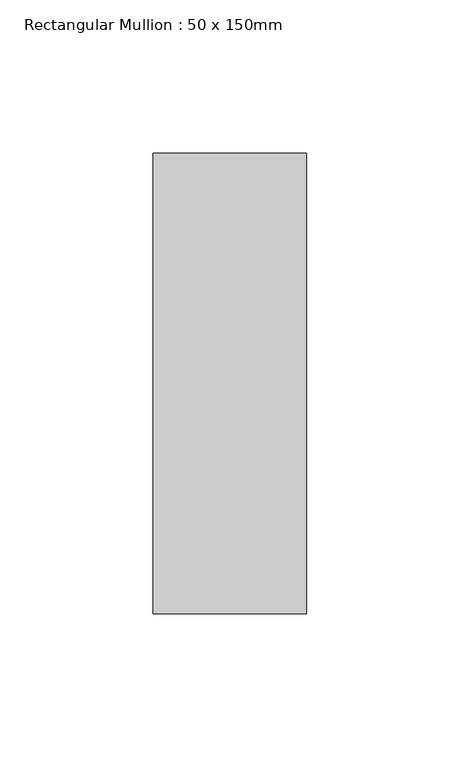
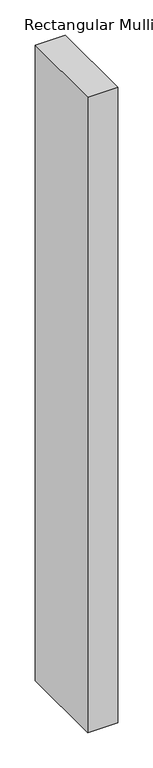
"""IFC4 building model written with IfcOpenShell, lengths in millimetres: member geometry, Rectangular Mullion : 50 x 150mm."""

from ifc_helpers import new_model, si_unit, frame, origin, place, context, project, spatial, polyline, outline, extrude, source, transform, mapped, element, save


def rectangular_mullion_50_x_150mm_e2664a6a(model_context):
    return source(origin(), model_context, "Body", "SweptSolid", [
        extrude(outline(polyline([(25.0, 75.0), (25.0, -75.0), (-25.0, -75.0), (-25.0, 75.0), (25.0, 75.0)])), frame((0.0, 0.0, -1107.487152), z_axis=(0.0, 0.0, 1.0), x_axis=(1.0, 0.0, 0.0)), (0.0, 0.0, 1.0), 1107.487152),
    ])


if __name__ == "__main__":
    model = new_model("IFC4")
    model_context = context("Model", 3, world=origin())
    ifc_project = project(units=[si_unit("LENGTHUNIT", "METRE", prefix="MILLI")], contexts=[model_context])
    site = spatial("IfcSite", under=ifc_project)
    building = spatial("IfcBuilding", under=site)
    placement = place(None, origin())
    rectangular_mullion_50_x_150mm_shape = rectangular_mullion_50_x_150mm_e2664a6a(model_context)
    element("IfcMember", 1, ObjectType="Rectangular Mullion : 50 x 150mm", at=placement, inside=building, context=model_context, shape_type="MappedRepresentation", body=[
        mapped(rectangular_mullion_50_x_150mm_shape, transform((0.0, 0.0, 0.0), x_axis=(1.0, 0.0, 0.0), y_axis=(0.0, 1.0, 0.0), z_axis=(0.0, 0.0, 1.0))),
    ])
    save(model, "model.ifc")
